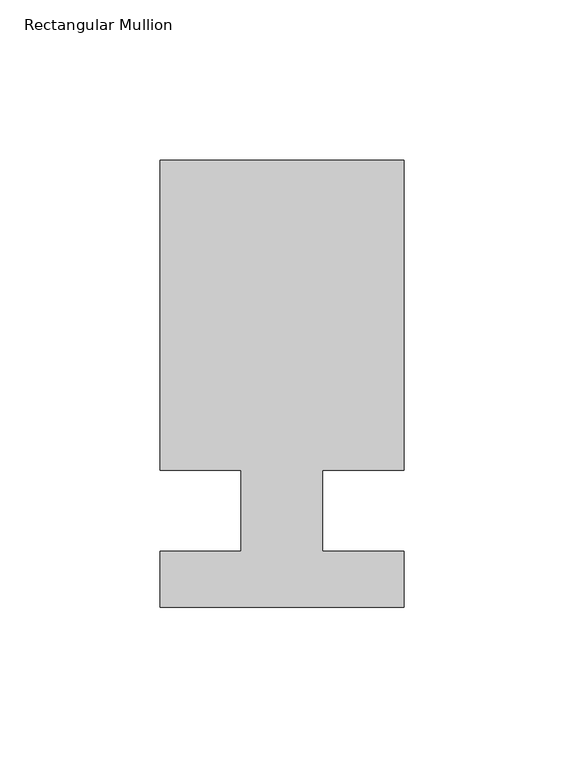
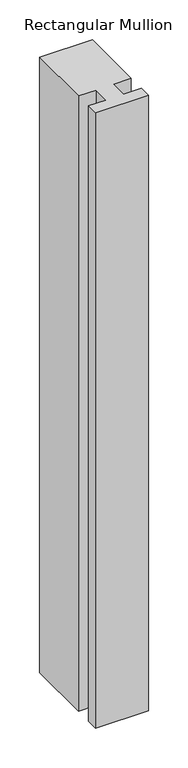
"""IFC4 building model written with IfcOpenShell, lengths in millimetres: member geometry, Rectangular Mullion."""

from ifc_helpers import new_model, si_unit, frame, origin, place, context, project, spatial, polyline, outline, extrude, source, transform, mapped, element, save


def rectangular_mullion_8e21c937(model_context):
    return source(origin(), model_context, "Body", "SweptSolid", [
        extrude(outline(polyline([(42.4344027, 109.5375), (42.4344027, 12.7), (17.0344027, 12.7), (17.0344027, -12.7), (42.4344027, -12.7), (42.4344027, -30.1625), (-33.7655973, -30.1625), (-33.7655973, -12.7), (-8.3655973, -12.7), (-8.3655973, 12.7), (-33.7655973, 12.7), (-33.7655973, 109.5375), (42.4344027, 109.5375)])), frame((0.0, 0.0, -939.8), z_axis=(0.0, 0.0, 1.0), x_axis=(1.0, 0.0, 0.0)), (0.0, 0.0, 1.0), 939.8),
    ])


if __name__ == "__main__":
    model = new_model("IFC4")
    model_context = context("Model", 3, world=origin())
    ifc_project = project(units=[si_unit("LENGTHUNIT", "METRE", prefix="MILLI")], contexts=[model_context])
    site = spatial("IfcSite", under=ifc_project)
    building = spatial("IfcBuilding", under=site)
    placement = place(None, origin())
    rectangular_mullion_shape = rectangular_mullion_8e21c937(model_context)
    element("IfcMember", 1, ObjectType="Rectangular Mullion", at=placement, inside=building, context=model_context, shape_type="MappedRepresentation", body=[
        mapped(rectangular_mullion_shape, transform((0.0, 0.0, 0.0), x_axis=(1.0, 0.0, 0.0), y_axis=(0.0, 1.0, 0.0), z_axis=(0.0, 0.0, 1.0))),
    ])
    save(model, "model.ifc")
